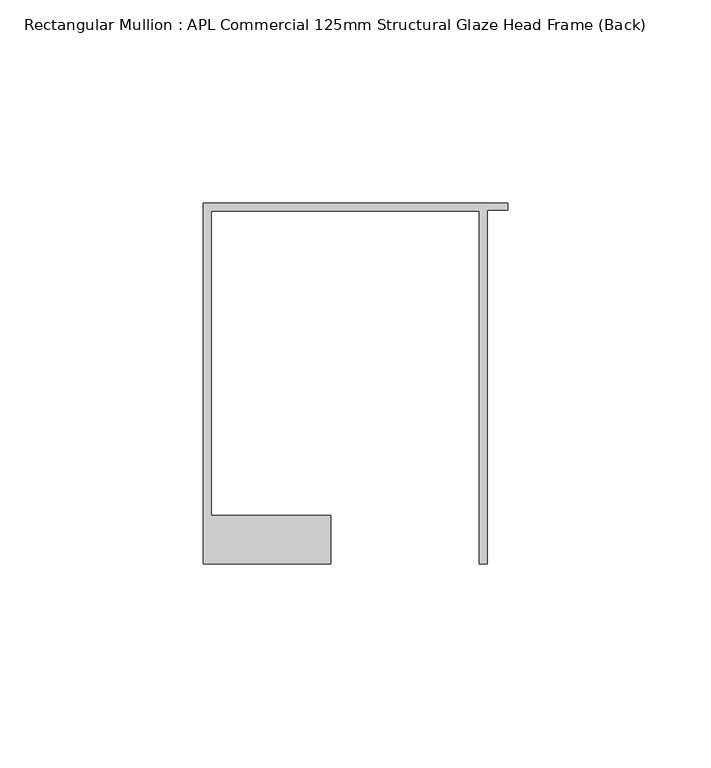
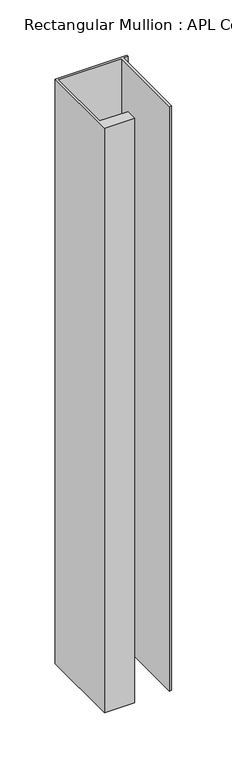
"""IFC4 building model written with IfcOpenShell, lengths in millimetres: member geometry, Rectangular Mullion : APL Commercial 125mm Structural Glaze Head Frame (Back)."""

from ifc_helpers import new_model, si_unit, frame, origin, place, context, project, spatial, polyline, outline, extrude, source, transform, mapped, element, save


def rectangular_mullion_apl_commercial_125mm_structural_glaze_056b05ce(model_context):
    return source(origin(), model_context, "Body", "SweptSolid", [
        extrude(outline(polyline([(-75.0, 103.9993063), (0.0, 103.9993063), (0.0, 102.1993063), (-5.0, 102.1993063), (-5.0, 14.9998342), (-7.0, 14.9998342), (-7.0, 101.9993063), (-73.0, 101.9993063), (-73.0, 26.9997514), (-43.5000151, 26.9997514), (-43.5000151, 14.9998342), (-75.0, 14.9998342), (-75.0, 103.9993063)])), frame((0.0, 0.0, -644.0249631), z_axis=(0.0, 0.0, 1.0), x_axis=(1.0, 0.0, 0.0)), (0.0, 0.0, 1.0), 644.0249631),
    ])


if __name__ == "__main__":
    model = new_model("IFC4")
    model_context = context("Model", 3, world=origin())
    ifc_project = project(units=[si_unit("LENGTHUNIT", "METRE", prefix="MILLI")], contexts=[model_context])
    site = spatial("IfcSite", under=ifc_project)
    building = spatial("IfcBuilding", under=site)
    placement = place(None, origin())
    rectangular_mullion_apl_commercial_125mm_structural_glaze_shape = rectangular_mullion_apl_commercial_125mm_structural_glaze_056b05ce(model_context)
    element("IfcMember", 1, ObjectType="Rectangular Mullion : APL Commercial 125mm Structural Glaze Head Frame (Back)", at=placement, inside=building, context=model_context, shape_type="MappedRepresentation", body=[
        mapped(rectangular_mullion_apl_commercial_125mm_structural_glaze_shape, transform((0.0, 0.0, 0.0), x_axis=(1.0, 0.0, 0.0), y_axis=(0.0, 1.0, 0.0), z_axis=(0.0, 0.0, 1.0))),
    ])
    save(model, "model.ifc")
